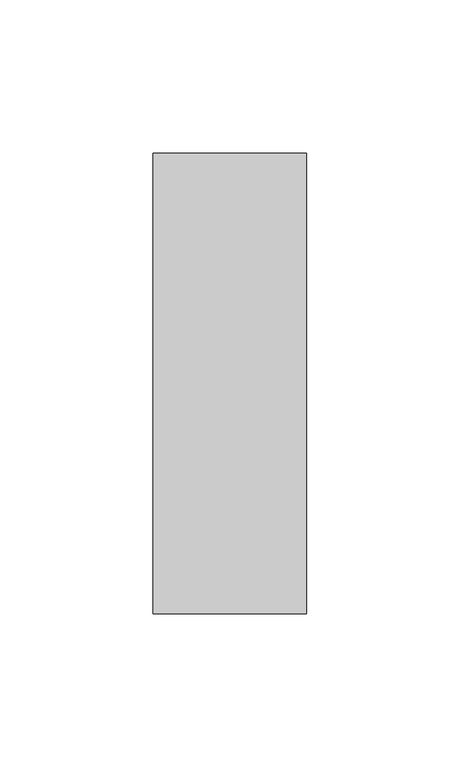
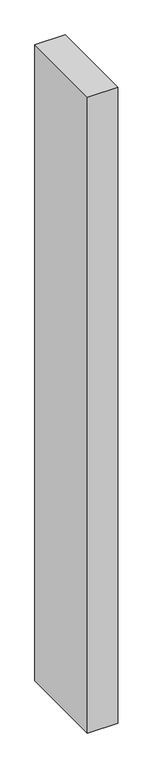
"""IFC4 building model written with IfcOpenShell, lengths in millimetres: member geometry."""

import ifcopenshell
import ifcopenshell.guid

model = None  # the IFC model being written
_history = None  # IfcOwnerHistory: only IFC2X3 demands one
_inside = {}  # id of a spatial element -> (the spatial element, [elements in it])
_under = {}  # id of a project, library or spatial element -> (it, [spatial elements below it])
_declared = {}  # id of a project -> (the project, [libraries it declares])
_typed = {}  # id of a type object -> (the type object, [elements of that type])
_made_of = {}  # id of a material, layer set ... -> (it, [elements and type objects made of it])


def new_model(schema):
    """Start an empty IFC model of exactly this schema.

    Asked for "IFC4X3", IfcOpenShell would pick the latest addendum, in which some entities
    have other attributes; the version numbers below select the first issue.
    IFC2X3 requires an IfcOwnerHistory on every rooted entity: one is made here for all.
    """
    global model, _history
    if schema == "IFC4X3":
        model = ifcopenshell.file(schema_version=(4, 3, 0, 0))
    else:
        model = ifcopenshell.file(schema=schema)
    _inside.clear()
    _under.clear()
    _declared.clear()
    _typed.clear()
    _made_of.clear()
    _history = None
    if model.schema == "IFC2X3":
        org = make("IfcOrganization", Name="unknown")
        user = make(
            "IfcPersonAndOrganization",
            ThePerson=make("IfcPerson", FamilyName="unknown"),
            TheOrganization=org,
        )
        app = make(
            "IfcApplication",
            ApplicationDeveloper=org,
            Version="unknown",
            ApplicationFullName="unknown",
            ApplicationIdentifier="unknown",
        )
        _history = make(
            "IfcOwnerHistory",
            OwningUser=user,
            OwningApplication=app,
            ChangeAction="ADDED",
            CreationDate=0,
        )
    return model


def make(cls, **values):
    """One entity of the class cls with the attributes given. An attribute that is None is left unset."""
    return model.create_entity(
        cls, **{name: value for name, value in values.items() if value is not None}
    )


def rooted(cls, **values):
    """An entity with a GlobalId (a new one), such as an element, a storey or a relation."""
    return make(cls, GlobalId=ifcopenshell.guid.new(), OwnerHistory=_history, **values)


def si_unit(unit_type, name, prefix=None):
    """IfcSIUnit, for example si_unit("LENGTHUNIT", "METRE", prefix="MILLI")."""
    return make("IfcSIUnit", UnitType=unit_type, Prefix=prefix, Name=name)


def assignment(units):
    """IfcUnitAssignment: the units of a project."""
    return None if units is None else make("IfcUnitAssignment", Units=units)


def point(xyz):
    """IfcCartesianPoint."""
    return None if xyz is None else make("IfcCartesianPoint", Coordinates=xyz)


def direction(xyz):
    """IfcDirection."""
    return None if xyz is None else make("IfcDirection", DirectionRatios=xyz)


def frame(location, z_axis=None, x_axis=None):
    """IfcAxis2Placement3D, a coordinate frame: its origin and axes. An axis left out is left unset."""
    return make(
        "IfcAxis2Placement3D",
        Location=point(location),
        Axis=direction(z_axis),
        RefDirection=direction(x_axis),
    )


def origin():
    """The frame at (0, 0, 0) with its axes left unset."""
    return frame((0.0, 0.0, 0.0))


def place(relative_to, where):
    """IfcLocalPlacement: puts the frame where relative to a parent placement (None: the world)."""
    return make(
        "IfcLocalPlacement", PlacementRelTo=relative_to, RelativePlacement=where
    )


def context(
    kind, dimensions, precision=None, world=None, true_north=None, identifier=None
):
    """IfcGeometricRepresentationContext, for example the 3D "Model" context."""
    return make(
        "IfcGeometricRepresentationContext",
        ContextIdentifier=identifier,
        ContextType=kind,
        CoordinateSpaceDimension=dimensions,
        Precision=precision,
        WorldCoordinateSystem=world,
        TrueNorth=true_north,
    )


def project(units=None, contexts=None):
    """IfcProject with its units and contexts."""
    return rooted(
        "IfcProject",
        Name="project",
        RepresentationContexts=contexts,
        UnitsInContext=assignment(units),
    )


def spatial(cls, under=None, at=None, **own):
    """A site, building, storey or space (cls), placed at a placement, below another one or the project."""
    s = rooted(cls, ObjectPlacement=at, **own)
    if under is not None:
        _under.setdefault(under.id(), (under, []))[1].append(s)
    return s


def polyline(points):
    """IfcPolyline through the points."""
    return make("IfcPolyline", Points=[point(p) for p in points])


def outline(outer, holes=None, kind="AREA"):
    """IfcArbitraryClosedProfileDef: a profile drawn as a closed curve; with holes, ...WithVoids."""
    if holes is None:
        return make("IfcArbitraryClosedProfileDef", ProfileType=kind, OuterCurve=outer)
    return make(
        "IfcArbitraryProfileDefWithVoids",
        ProfileType=kind,
        OuterCurve=outer,
        InnerCurves=holes,
    )


def extrude(swept, where, along, depth):
    """IfcExtrudedAreaSolid: the profile swept, set in the frame where, extruded along a direction by depth."""
    return make(
        "IfcExtrudedAreaSolid",
        SweptArea=swept,
        Position=where,
        ExtrudedDirection=direction(along),
        Depth=depth,
    )


def shape(context_of_items, identifier, shape_type, items):
    """IfcShapeRepresentation: the items that make up one representation, for example the "Body"."""
    return make(
        "IfcShapeRepresentation",
        ContextOfItems=context_of_items,
        RepresentationIdentifier=identifier,
        RepresentationType=shape_type,
        Items=items,
    )


def source(mapping_origin, context_of_items, identifier, shape_type, items):
    """IfcRepresentationMap: a shape defined once, which mapped items show again and again."""
    return make(
        "IfcRepresentationMap",
        MappingOrigin=mapping_origin,
        MappedRepresentation=shape(context_of_items, identifier, shape_type, items),
    )


def transform(
    local_origin,
    x_axis=None,
    y_axis=None,
    z_axis=None,
    scale=None,
    scale2=None,
    scale3=None,
    uniform=True,
):
    """IfcCartesianTransformationOperator3D, or its non-uniform kind. x_axis, y_axis, z_axis: its Axis1, 2, 3."""
    if uniform:
        return make(
            "IfcCartesianTransformationOperator3D",
            Axis1=direction(x_axis),
            Axis2=direction(y_axis),
            LocalOrigin=point(local_origin),
            Scale=scale,
            Axis3=direction(z_axis),
        )
    return make(
        "IfcCartesianTransformationOperator3DnonUniform",
        Axis1=direction(x_axis),
        Axis2=direction(y_axis),
        LocalOrigin=point(local_origin),
        Scale=scale,
        Axis3=direction(z_axis),
        Scale2=scale2,
        Scale3=scale3,
    )


def mapped(mapping_source, mapping_target):
    """IfcMappedItem: shows the shape of a source again, moved by a transform."""
    return make(
        "IfcMappedItem", MappingSource=mapping_source, MappingTarget=mapping_target
    )


def made_of(thing, what):
    """Note that an element or type object is made of a material, layer set ...; save() writes the relation."""
    if what is not None:
        _made_of.setdefault(what.id(), (what, []))[1].append(thing)
    return thing


def element(
    cls,
    number,
    at=None,
    inside=None,
    cuts=None,
    type_object=None,
    material=None,
    context=None,
    identifier="Body",
    shape_type=None,
    held_by="IfcProductDefinitionShape",
    body=None,
    shapes=None,
    **own,
):
    """One element of the class cls, such as IfcWall. Its Tag is "e" and its number.

    at: its placement. inside: the storey or other place that contains it. cuts: it is an
    opening in that element (IfcRelVoidsElement). A single representation is given by context,
    identifier, shape_type and body (its items); several are given by shapes. held_by: the class
    of the entity that holds the representations. save() writes the other relations.
    """
    e = rooted(cls, Tag="e%d" % number, ObjectPlacement=at, **own)
    if body is not None:
        shapes = [shape(context, identifier, shape_type, body)]
    if shapes is not None:
        e.Representation = make(held_by, Representations=shapes)
    if inside is not None:
        _inside.setdefault(inside.id(), (inside, []))[1].append(e)
    if cuts is not None:
        rooted(
            "IfcRelVoidsElement", RelatingBuildingElement=cuts, RelatedOpeningElement=e
        )
    if type_object is not None:
        _typed.setdefault(type_object.id(), (type_object, []))[1].append(e)
    return made_of(e, material)


def aggregate(whole, parts):
    """IfcRelAggregates: a whole, such as a stair, and the parts it consists of."""
    return rooted("IfcRelAggregates", RelatingObject=whole, RelatedObjects=parts)


def save(model, path):
    """Write the relations noted so far, then the file.

    IfcRelAggregates (storeys below a building ...), IfcRelContainedInSpatialStructure (elements
    in a storey), IfcRelDefinesByType, IfcRelAssociatesMaterial and IfcRelDeclares: one each for
    every whole, place, type object, material and project.
    """
    for whole, parts in _under.values():
        aggregate(whole, parts)
    for where, things in _inside.values():
        rooted(
            "IfcRelContainedInSpatialStructure",
            RelatedElements=things,
            RelatingStructure=where,
        )
    for kind, things in _typed.values():
        rooted("IfcRelDefinesByType", RelatedObjects=things, RelatingType=kind)
    for what, things in _made_of.values():
        rooted("IfcRelAssociatesMaterial", RelatedObjects=things, RelatingMaterial=what)
    for by, libraries in _declared.values():
        rooted("IfcRelDeclares", RelatingContext=by, RelatedDefinitions=libraries)
    model.write(path)


def member_7c62c7d9(model_context):
    return source(origin(), model_context, "Body", "SweptSolid", [
        extrude(outline(polyline([(0.0, 75.0), (0.0, -75.0), (-50.0, -75.0), (-50.0, 75.0), (0.0, 75.0)])), frame((0.0, 0.0, -1110.0), z_axis=(0.0, 0.0, 1.0), x_axis=(1.0, 0.0, 0.0)), (0.0, 0.0, 1.0), 1110.0),
    ])


if __name__ == "__main__":
    model = new_model("IFC4")
    model_context = context("Model", 3, world=origin())
    ifc_project = project(units=[si_unit("LENGTHUNIT", "METRE", prefix="MILLI")], contexts=[model_context])
    site = spatial("IfcSite", under=ifc_project)
    building = spatial("IfcBuilding", under=site)
    placement = place(None, origin())
    member_shape = member_7c62c7d9(model_context)
    element("IfcMember", 1, at=placement, inside=building, context=model_context, shape_type="MappedRepresentation", body=[
        mapped(member_shape, transform((0.0, 0.0, 0.0), x_axis=(1.0, 0.0, 0.0), y_axis=(0.0, 1.0, 0.0), z_axis=(0.0, 0.0, 1.0))),
    ])
    save(model, "model.ifc")
